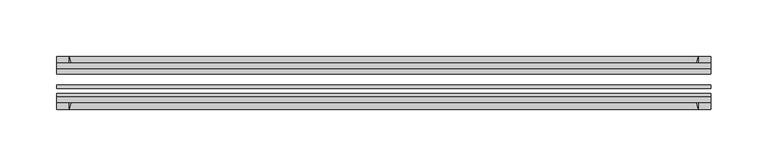
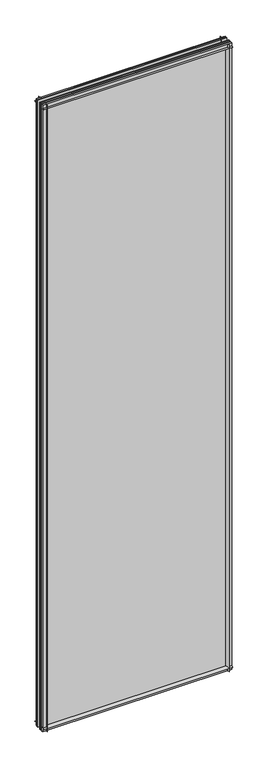
"""IFC4 building model written with IfcOpenShell, lengths in millimetres: plate geometry."""

from ifc_helpers import new_model, si_unit, point, frame, frame_2d, origin, place, context, project, spatial, polyline, circle_curve, trimmed, segment, composite_curve, outline, extrude, source, transform, mapped, element, save


def plate_a28b3e97(model_context):
    return source(origin(), model_context, "Body", "SweptSolid", [
        extrude(outline(composite_curve([segment(polyline([(-74.653775, 0.0), (-80.586498, 0.0)]), True, "CONTINUOUS"), segment(trimmed(circle_curve(frame_2d((-86.2543953, 32.273404)), 32.7673262), [point((-80.586498, 0.0))], [point((-69.878575, 3.8915405))], True, "CARTESIAN"), True, "CONTINUOUS"), segment(polyline([(-69.878575, 3.8915405), (-69.878575, -10.31875), (-74.653775, -10.31875), (-74.653775, 0.0)]), True, "CONTINUOUS")], self_intersect=False)), frame((-289.71875, 0.0, 0.0), z_axis=(1.0, 0.0, 0.0), x_axis=(0.0, 1.0, 0.0)), (0.0, 0.0, 1.0), 579.4375),
        extrude(outline(composite_curve([segment(polyline([(-44.478575, -10.31875), (-44.478575, 3.8915405)]), True, "CONTINUOUS"), segment(trimmed(circle_curve(frame_2d((-28.1027547, 32.273404)), 32.7673262), [point((-44.478575, 3.8915405))], [point((-33.770652, 0.0))], True, "CARTESIAN"), True, "CONTINUOUS"), segment(polyline([(-33.770652, 0.0), (-39.703375, 0.0), (-39.703375, -10.31875), (-44.478575, -10.31875)]), True, "CONTINUOUS")], self_intersect=False)), frame((-289.71875, 0.0, 0.0), z_axis=(1.0, 0.0, 0.0), x_axis=(0.0, 1.0, 0.0)), (0.0, 0.0, 1.0), 579.4375),
        extrude(outline(composite_curve([segment(trimmed(circle_curve(frame_2d((-86.2543953, 1977.495246)), 32.7673262), [point((-69.878575, 2005.8771095))], [point((-80.622775, 2009.775))], True, "CARTESIAN"), True, "CONTINUOUS"), segment(polyline([(-80.622775, 2009.775), (-74.653775, 2009.775), (-74.653775, 2020.8875), (-69.878575, 2020.8875), (-69.878575, 2005.8771095)]), True, "CONTINUOUS")], self_intersect=False)), frame((-289.71875, 0.0, 0.0), z_axis=(1.0, 0.0, 0.0), x_axis=(0.0, 1.0, 0.0)), (0.0, 0.0, 1.0), 579.4375),
        extrude(outline(composite_curve([segment(polyline([(-44.478575, 2005.8771095), (-44.478575, 2020.8875), (-39.703375, 2020.8875), (-39.703375, 2009.775), (-33.734375, 2009.775)]), True, "CONTINUOUS"), segment(trimmed(circle_curve(frame_2d((-28.1027547, 1977.495246)), 32.7673262), [point((-33.734375, 2009.775))], [point((-44.478575, 2005.8771095))], True, "CARTESIAN"), True, "CONTINUOUS")], self_intersect=False)), frame((-289.71875, 0.0, 0.0), z_axis=(1.0, 0.0, 0.0), x_axis=(0.0, 1.0, 0.0)), (0.0, 0.0, 1.0), 579.4375),
        extrude(outline(composite_curve([segment(polyline([(274.7083595, -69.878575), (289.71875, -69.878575), (289.71875, -74.653775), (278.60625, -74.653775), (278.60625, -80.622775)]), True, "CONTINUOUS"), segment(trimmed(circle_curve(frame_2d((246.326496, -86.2543953)), 32.7673262), [point((278.60625, -80.622775))], [point((274.7083595, -69.878575))], True, "CARTESIAN"), True, "CONTINUOUS")], self_intersect=False)), frame((0.0, 0.0, -10.31875), z_axis=(0.0, 0.0, 1.0), x_axis=(1.0, 0.0, 0.0)), (0.0, 0.0, 1.0), 2031.20625),
        extrude(outline(composite_curve([segment(trimmed(circle_curve(frame_2d((246.326496, -28.1027547)), 32.7673262), [point((274.7083595, -44.478575))], [point((278.60625, -33.734375))], True, "CARTESIAN"), True, "CONTINUOUS"), segment(polyline([(278.60625, -33.734375), (278.60625, -39.703375), (289.71875, -39.703375), (289.71875, -44.478575), (274.7083595, -44.478575)]), True, "CONTINUOUS")], self_intersect=False)), frame((0.0, 0.0, -10.31875), z_axis=(0.0, 0.0, 1.0), x_axis=(1.0, 0.0, 0.0)), (0.0, 0.0, 1.0), 2031.20625),
        extrude(outline(composite_curve([segment(trimmed(circle_curve(frame_2d((-246.326496, -86.2543953)), 32.7673262), [point((-274.7083595, -69.878575))], [point((-278.60625, -80.622775))], True, "CARTESIAN"), True, "CONTINUOUS"), segment(polyline([(-278.60625, -80.622775), (-278.60625, -74.653775), (-289.71875, -74.653775), (-289.71875, -69.878575), (-274.7083595, -69.878575)]), True, "CONTINUOUS")], self_intersect=False)), frame((0.0, 0.0, -10.31875), z_axis=(0.0, 0.0, 1.0), x_axis=(1.0, 0.0, 0.0)), (0.0, 0.0, 1.0), 2031.20625),
        extrude(outline(composite_curve([segment(polyline([(-274.7083595, -44.478575), (-289.71875, -44.478575), (-289.71875, -39.703375), (-278.60625, -39.703375), (-278.60625, -33.734375)]), True, "CONTINUOUS"), segment(trimmed(circle_curve(frame_2d((-246.326496, -28.1027547)), 32.7673262), [point((-278.60625, -33.734375))], [point((-274.7083595, -44.478575))], True, "CARTESIAN"), True, "CONTINUOUS")], self_intersect=False)), frame((0.0, 0.0, -10.31875), z_axis=(0.0, 0.0, 1.0), x_axis=(1.0, 0.0, 0.0)), (0.0, 0.0, 1.0), 2031.20625),
        extrude(outline(polyline([(-289.71875, -44.478575), (289.71875, -44.478575), (289.71875, -49.241075), (-289.71875, -49.241075), (-289.71875, -44.478575)])), frame((0.0, 0.0, -10.31875), z_axis=(0.0, 0.0, 1.0), x_axis=(1.0, 0.0, 0.0)), (0.0, 0.0, 1.0), 2031.20625),
        extrude(outline(polyline([(289.71875, -58.956575), (289.71875, -62.131575), (-289.71875, -62.131575), (-289.71875, -58.956575), (289.71875, -58.956575)])), frame((0.0, 0.0, -10.31875), z_axis=(0.0, 0.0, 1.0), x_axis=(1.0, 0.0, 0.0)), (0.0, 0.0, 1.0), 2031.20625),
        extrude(outline(polyline([(-289.71875, -66.703575), (289.71875, -66.703575), (289.71875, -69.878575), (-289.71875, -69.878575), (-289.71875, -66.703575)])), frame((0.0, 0.0, -10.31875), z_axis=(0.0, 0.0, 1.0), x_axis=(1.0, 0.0, 0.0)), (0.0, 0.0, 1.0), 2031.20625),
    ])


if __name__ == "__main__":
    model = new_model("IFC4")
    model_context = context("Model", 3, world=origin())
    ifc_project = project(units=[si_unit("LENGTHUNIT", "METRE", prefix="MILLI")], contexts=[model_context])
    site = spatial("IfcSite", under=ifc_project)
    building = spatial("IfcBuilding", under=site)
    placement = place(None, origin())
    plate_shape = plate_a28b3e97(model_context)
    element("IfcPlate", 1, at=placement, inside=building, context=model_context, shape_type="MappedRepresentation", body=[
        mapped(plate_shape, transform((0.0, 0.0, 0.0), x_axis=(1.0, 0.0, 0.0), y_axis=(0.0, 1.0, 0.0), z_axis=(0.0, 0.0, 1.0))),
    ])
    save(model, "model.ifc")
